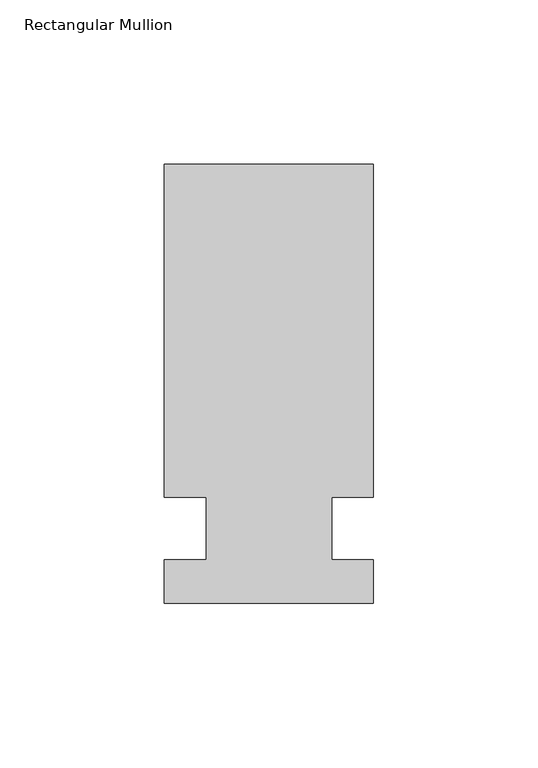
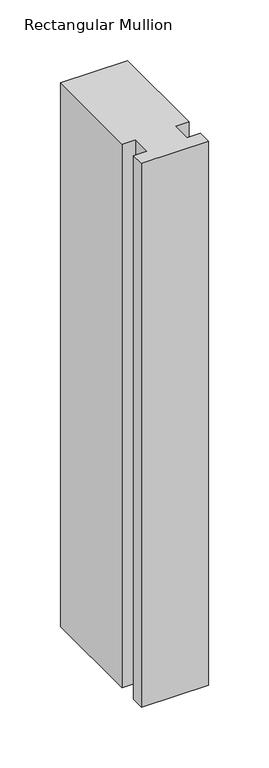
"""IFC4 building model written with IfcOpenShell, lengths in millimetres: member geometry, Rectangular Mullion."""

from ifc_helpers import new_model, si_unit, frame, origin, place, context, project, spatial, polyline, outline, extrude, source, transform, mapped, element, save


def rectangular_mullion_02037291(model_context):
    return source(origin(), model_context, "Body", "SweptSolid", [
        extrude(outline(polyline([(-63.5, 133.4396937), (0.0, 133.4396937), (0.0, 32.2460937), (-12.7, 32.2460938), (-12.7, 13.1960937), (0.0, 13.1960937), (0.0, 0.0134937), (-63.5, 0.0134937), (-63.5, 13.1960937), (-50.8, 13.1960937), (-50.8, 32.2460937), (-63.5, 32.2460938), (-63.5, 133.4396937)])), frame((0.0, 0.0, -546.1), z_axis=(0.0, 0.0, 1.0), x_axis=(1.0, 0.0, 0.0)), (0.0, 0.0, 1.0), 546.1),
    ])


if __name__ == "__main__":
    model = new_model("IFC4")
    model_context = context("Model", 3, world=origin())
    ifc_project = project(units=[si_unit("LENGTHUNIT", "METRE", prefix="MILLI")], contexts=[model_context])
    site = spatial("IfcSite", under=ifc_project)
    building = spatial("IfcBuilding", under=site)
    placement = place(None, origin())
    rectangular_mullion_shape = rectangular_mullion_02037291(model_context)
    element("IfcMember", 1, ObjectType="Rectangular Mullion", at=placement, inside=building, context=model_context, shape_type="MappedRepresentation", body=[
        mapped(rectangular_mullion_shape, transform((0.0, 0.0, 0.0), x_axis=(1.0, 0.0, 0.0), y_axis=(0.0, 1.0, 0.0), z_axis=(0.0, 0.0, 1.0))),
    ])
    save(model, "model.ifc")
